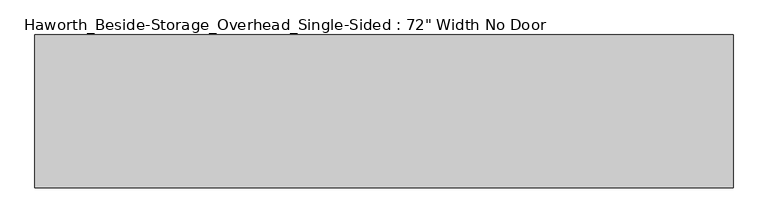
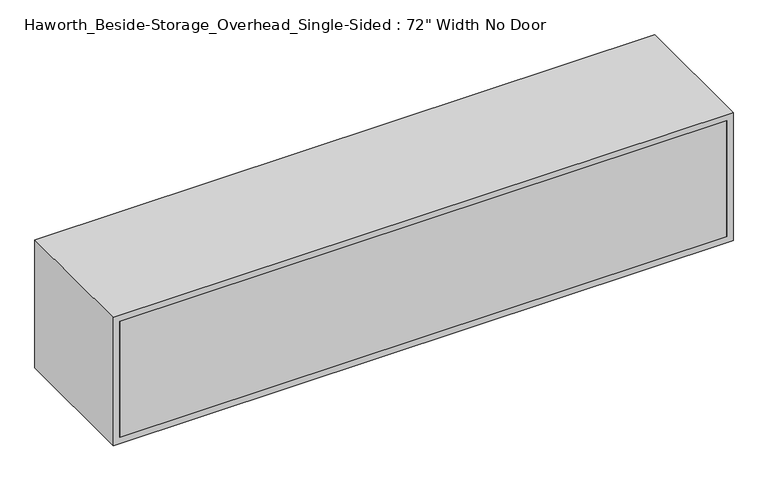
"""IFC4 building model written with IfcOpenShell, lengths in millimetres: furniture geometry."""

import ifcopenshell
import ifcopenshell.guid

model = None  # the IFC model being written
_history = None  # IfcOwnerHistory: only IFC2X3 demands one
_inside = {}  # id of a spatial element -> (the spatial element, [elements in it])
_under = {}  # id of a project, library or spatial element -> (it, [spatial elements below it])
_declared = {}  # id of a project -> (the project, [libraries it declares])
_typed = {}  # id of a type object -> (the type object, [elements of that type])
_made_of = {}  # id of a material, layer set ... -> (it, [elements and type objects made of it])


def new_model(schema):
    """Start an empty IFC model of exactly this schema.

    Asked for "IFC4X3", IfcOpenShell would pick the latest addendum, in which some entities
    have other attributes; the version numbers below select the first issue.
    IFC2X3 requires an IfcOwnerHistory on every rooted entity: one is made here for all.
    """
    global model, _history
    if schema == "IFC4X3":
        model = ifcopenshell.file(schema_version=(4, 3, 0, 0))
    else:
        model = ifcopenshell.file(schema=schema)
    _inside.clear()
    _under.clear()
    _declared.clear()
    _typed.clear()
    _made_of.clear()
    _history = None
    if model.schema == "IFC2X3":
        org = make("IfcOrganization", Name="unknown")
        user = make(
            "IfcPersonAndOrganization",
            ThePerson=make("IfcPerson", FamilyName="unknown"),
            TheOrganization=org,
        )
        app = make(
            "IfcApplication",
            ApplicationDeveloper=org,
            Version="unknown",
            ApplicationFullName="unknown",
            ApplicationIdentifier="unknown",
        )
        _history = make(
            "IfcOwnerHistory",
            OwningUser=user,
            OwningApplication=app,
            ChangeAction="ADDED",
            CreationDate=0,
        )
    return model


def make(cls, **values):
    """One entity of the class cls with the attributes given. An attribute that is None is left unset."""
    return model.create_entity(
        cls, **{name: value for name, value in values.items() if value is not None}
    )


def rooted(cls, **values):
    """An entity with a GlobalId (a new one), such as an element, a storey or a relation."""
    return make(cls, GlobalId=ifcopenshell.guid.new(), OwnerHistory=_history, **values)


def si_unit(unit_type, name, prefix=None):
    """IfcSIUnit, for example si_unit("LENGTHUNIT", "METRE", prefix="MILLI")."""
    return make("IfcSIUnit", UnitType=unit_type, Prefix=prefix, Name=name)


def assignment(units):
    """IfcUnitAssignment: the units of a project."""
    return None if units is None else make("IfcUnitAssignment", Units=units)


def point(xyz):
    """IfcCartesianPoint."""
    return None if xyz is None else make("IfcCartesianPoint", Coordinates=xyz)


def direction(xyz):
    """IfcDirection."""
    return None if xyz is None else make("IfcDirection", DirectionRatios=xyz)


def frame(location, z_axis=None, x_axis=None):
    """IfcAxis2Placement3D, a coordinate frame: its origin and axes. An axis left out is left unset."""
    return make(
        "IfcAxis2Placement3D",
        Location=point(location),
        Axis=direction(z_axis),
        RefDirection=direction(x_axis),
    )


def origin():
    """The frame at (0, 0, 0) with its axes left unset."""
    return frame((0.0, 0.0, 0.0))


def place(relative_to, where):
    """IfcLocalPlacement: puts the frame where relative to a parent placement (None: the world)."""
    return make(
        "IfcLocalPlacement", PlacementRelTo=relative_to, RelativePlacement=where
    )


def context(
    kind, dimensions, precision=None, world=None, true_north=None, identifier=None
):
    """IfcGeometricRepresentationContext, for example the 3D "Model" context."""
    return make(
        "IfcGeometricRepresentationContext",
        ContextIdentifier=identifier,
        ContextType=kind,
        CoordinateSpaceDimension=dimensions,
        Precision=precision,
        WorldCoordinateSystem=world,
        TrueNorth=true_north,
    )


def project(units=None, contexts=None):
    """IfcProject with its units and contexts."""
    return rooted(
        "IfcProject",
        Name="project",
        RepresentationContexts=contexts,
        UnitsInContext=assignment(units),
    )


def spatial(cls, under=None, at=None, **own):
    """A site, building, storey or space (cls), placed at a placement, below another one or the project."""
    s = rooted(cls, ObjectPlacement=at, **own)
    if under is not None:
        _under.setdefault(under.id(), (under, []))[1].append(s)
    return s


def polyline(points):
    """IfcPolyline through the points."""
    return make("IfcPolyline", Points=[point(p) for p in points])


def outline(outer, holes=None, kind="AREA"):
    """IfcArbitraryClosedProfileDef: a profile drawn as a closed curve; with holes, ...WithVoids."""
    if holes is None:
        return make("IfcArbitraryClosedProfileDef", ProfileType=kind, OuterCurve=outer)
    return make(
        "IfcArbitraryProfileDefWithVoids",
        ProfileType=kind,
        OuterCurve=outer,
        InnerCurves=holes,
    )


def extrude(swept, where, along, depth):
    """IfcExtrudedAreaSolid: the profile swept, set in the frame where, extruded along a direction by depth."""
    return make(
        "IfcExtrudedAreaSolid",
        SweptArea=swept,
        Position=where,
        ExtrudedDirection=direction(along),
        Depth=depth,
    )


def shape(context_of_items, identifier, shape_type, items):
    """IfcShapeRepresentation: the items that make up one representation, for example the "Body"."""
    return make(
        "IfcShapeRepresentation",
        ContextOfItems=context_of_items,
        RepresentationIdentifier=identifier,
        RepresentationType=shape_type,
        Items=items,
    )


def source(mapping_origin, context_of_items, identifier, shape_type, items):
    """IfcRepresentationMap: a shape defined once, which mapped items show again and again."""
    return make(
        "IfcRepresentationMap",
        MappingOrigin=mapping_origin,
        MappedRepresentation=shape(context_of_items, identifier, shape_type, items),
    )


def transform(
    local_origin,
    x_axis=None,
    y_axis=None,
    z_axis=None,
    scale=None,
    scale2=None,
    scale3=None,
    uniform=True,
):
    """IfcCartesianTransformationOperator3D, or its non-uniform kind. x_axis, y_axis, z_axis: its Axis1, 2, 3."""
    if uniform:
        return make(
            "IfcCartesianTransformationOperator3D",
            Axis1=direction(x_axis),
            Axis2=direction(y_axis),
            LocalOrigin=point(local_origin),
            Scale=scale,
            Axis3=direction(z_axis),
        )
    return make(
        "IfcCartesianTransformationOperator3DnonUniform",
        Axis1=direction(x_axis),
        Axis2=direction(y_axis),
        LocalOrigin=point(local_origin),
        Scale=scale,
        Axis3=direction(z_axis),
        Scale2=scale2,
        Scale3=scale3,
    )


def mapped(mapping_source, mapping_target):
    """IfcMappedItem: shows the shape of a source again, moved by a transform."""
    return make(
        "IfcMappedItem", MappingSource=mapping_source, MappingTarget=mapping_target
    )


def made_of(thing, what):
    """Note that an element or type object is made of a material, layer set ...; save() writes the relation."""
    if what is not None:
        _made_of.setdefault(what.id(), (what, []))[1].append(thing)
    return thing


def element(
    cls,
    number,
    at=None,
    inside=None,
    cuts=None,
    type_object=None,
    material=None,
    context=None,
    identifier="Body",
    shape_type=None,
    held_by="IfcProductDefinitionShape",
    body=None,
    shapes=None,
    **own,
):
    """One element of the class cls, such as IfcWall. Its Tag is "e" and its number.

    at: its placement. inside: the storey or other place that contains it. cuts: it is an
    opening in that element (IfcRelVoidsElement). A single representation is given by context,
    identifier, shape_type and body (its items); several are given by shapes. held_by: the class
    of the entity that holds the representations. save() writes the other relations.
    """
    e = rooted(cls, Tag="e%d" % number, ObjectPlacement=at, **own)
    if body is not None:
        shapes = [shape(context, identifier, shape_type, body)]
    if shapes is not None:
        e.Representation = make(held_by, Representations=shapes)
    if inside is not None:
        _inside.setdefault(inside.id(), (inside, []))[1].append(e)
    if cuts is not None:
        rooted(
            "IfcRelVoidsElement", RelatingBuildingElement=cuts, RelatedOpeningElement=e
        )
    if type_object is not None:
        _typed.setdefault(type_object.id(), (type_object, []))[1].append(e)
    return made_of(e, material)


def aggregate(whole, parts):
    """IfcRelAggregates: a whole, such as a stair, and the parts it consists of."""
    return rooted("IfcRelAggregates", RelatingObject=whole, RelatedObjects=parts)


def save(model, path):
    """Write the relations noted so far, then the file.

    IfcRelAggregates (storeys below a building ...), IfcRelContainedInSpatialStructure (elements
    in a storey), IfcRelDefinesByType, IfcRelAssociatesMaterial and IfcRelDeclares: one each for
    every whole, place, type object, material and project.
    """
    for whole, parts in _under.values():
        aggregate(whole, parts)
    for where, things in _inside.values():
        rooted(
            "IfcRelContainedInSpatialStructure",
            RelatedElements=things,
            RelatingStructure=where,
        )
    for kind, things in _typed.values():
        rooted("IfcRelDefinesByType", RelatedObjects=things, RelatingType=kind)
    for what, things in _made_of.values():
        rooted("IfcRelAssociatesMaterial", RelatedObjects=things, RelatingMaterial=what)
    for by, libraries in _declared.values():
        rooted("IfcRelDeclares", RelatingContext=by, RelatedDefinitions=libraries)
    model.write(path)


def furniture_f5abc754(model_context):
    return source(origin(), model_context, "Body", "SweptSolid", [
        extrude(outline(polyline([(174.625, 400.05), (174.625, 19.05), (155.575, 19.05), (155.575, 400.05), (174.625, 400.05)])), frame((0.0, 0.0, 882.65), z_axis=(0.0, 0.0, 1.0), x_axis=(1.0, 0.0, 0.0)), (0.0, 0.0, 1.0), 361.95),
        extrude(outline(polyline([(1060.45, 19.05), (1060.45, 0.0), (-730.25, 0.0), (-730.25, 19.05), (1060.45, 19.05)])), frame((0.0, 0.0, 882.65), z_axis=(0.0, 0.0, 1.0), x_axis=(1.0, 0.0, 0.0)), (0.0, 0.0, 1.0), 361.95),
        extrude(outline(polyline([(863.6, 1079.5), (1263.65, 1079.5), (1263.65, -749.3), (863.6, -749.3), (863.6, 1079.5)]), holes=[polyline([(1244.6, 1060.45), (882.65, 1060.45), (882.65, -730.25), (1244.6, -730.25), (1244.6, 1060.45)])]), frame((0.0, 0.0, 0.0), z_axis=(0.0, 1.0, 0.0), x_axis=(0.0, 0.0, 1.0)), (0.0, 0.0, 1.0), 400.05),
    ])


if __name__ == "__main__":
    model = new_model("IFC4")
    model_context = context("Model", 3, world=origin())
    ifc_project = project(units=[si_unit("LENGTHUNIT", "METRE", prefix="MILLI")], contexts=[model_context])
    site = spatial("IfcSite", under=ifc_project)
    building = spatial("IfcBuilding", under=site)
    placement = place(None, origin())
    furniture_shape = furniture_f5abc754(model_context)
    element("IfcFurniture", 1, ObjectType="Haworth_Beside-Storage_Overhead_Single-Sided : 72\" Width No Door", at=placement, inside=building, context=model_context, shape_type="MappedRepresentation", body=[
        mapped(furniture_shape, transform((0.0, 0.0, 0.0), x_axis=(1.0, 0.0, 0.0), y_axis=(0.0, 1.0, 0.0), z_axis=(0.0, 0.0, 1.0))),
    ])
    save(model, "model.ifc")
